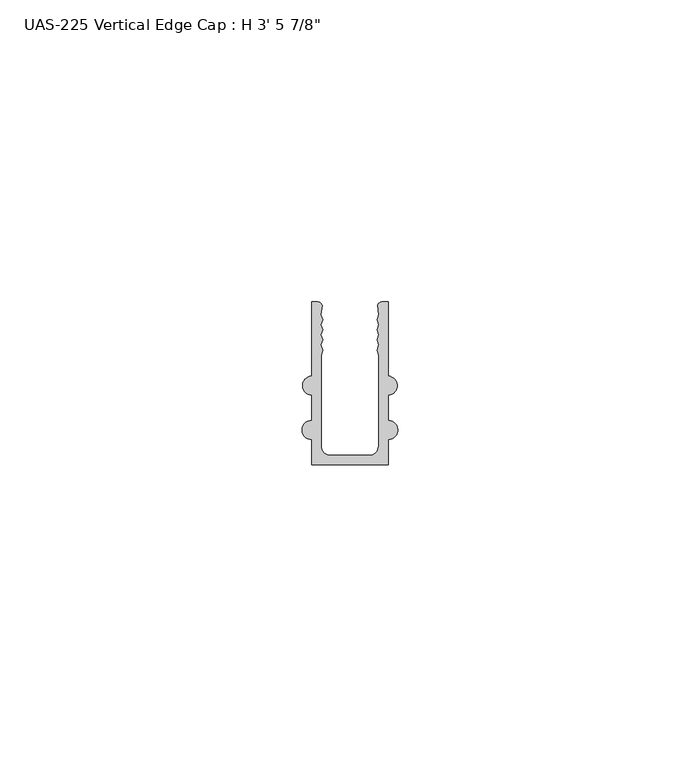
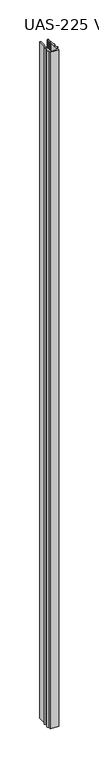
"""IFC4 building model written with IfcOpenShell, lengths in millimetres: proxy geometry."""

from ifc_helpers import new_model, si_unit, point, frame_2d, origin, origin_with_axes, place, context, project, spatial, polyline, circle_curve, trimmed, segment, composite_curve, outline, extrude, source, transform, mapped, element, save


def proxy_a254d4f8(model_context):
    return source(origin(), model_context, "Body", "SweptSolid", [
        extrude(outline(composite_curve([segment(polyline([(14.2875, 17.4398781), (14.2875, 5.1612043)]), True, "CONTINUOUS"), segment(trimmed(circle_curve(frame_2d((14.1965146, 3.5864043)), 1.5774262), [point((14.2875, 5.1612043))], [point((14.2875, 2.0116043))], False, "CARTESIAN"), True, "CONTINUOUS"), segment(polyline([(14.2875, 2.0116043), (14.2875, -2.1793957)]), True, "CONTINUOUS"), segment(trimmed(circle_curve(frame_2d((14.2875, -3.7668957)), 1.5875), [point((14.2875, -2.1793957))], [point((14.2875, -5.3543957))], False, "CARTESIAN"), True, "CONTINUOUS"), segment(polyline([(14.2875, -5.3543957), (14.2875, -9.5453957), (1.5875, -9.5453957), (1.5875, -5.3543957)]), True, "CONTINUOUS"), segment(trimmed(circle_curve(frame_2d((1.5875, -3.7668957)), 1.5875), [point((1.5875, -5.3543957))], [point((1.5875, -2.1793957))], False, "CARTESIAN"), True, "CONTINUOUS"), segment(polyline([(1.5875, -2.1793957), (1.5875, 2.0116043)]), True, "CONTINUOUS"), segment(trimmed(circle_curve(frame_2d((1.6784854, 3.5864043)), 1.5774262), [point((1.5875, 2.0116043))], [point((1.5875, 5.1612043))], False, "CARTESIAN"), True, "CONTINUOUS"), segment(polyline([(1.5875, 5.1612043), (1.5875, 17.4398781), (2.6288016, 17.4398781)]), True, "CONTINUOUS"), segment(trimmed(circle_curve(frame_2d((2.6288016, 16.7123859)), 0.7274922), [point((2.6288016, 17.4398781))], [point((3.3412585, 16.8595257))], False, "CARTESIAN"), True, "CONTINUOUS"), segment(polyline([(3.3412585, 16.8595257), (3.1475396, 15.3531342), (3.403871, 14.5147118), (3.1475396, 13.6762893), (3.403871, 12.8378669), (3.1475396, 11.9994444), (3.403871, 11.161022), (3.1475396, 10.3225996), (3.403871, 9.4841771), (3.175, 8.6103842), (3.175, -6.3703957)]), True, "CONTINUOUS"), segment(trimmed(circle_curve(frame_2d((4.7625, -6.3703957)), 1.5875), [point((3.175, -6.3703957))], [point((4.7625, -7.9578957))], True, "CARTESIAN"), True, "CONTINUOUS"), segment(polyline([(4.7625, -7.9578957), (11.1125, -7.9578957)]), True, "CONTINUOUS"), segment(trimmed(circle_curve(frame_2d((11.1125, -6.3703957)), 1.5875), [point((11.1125, -7.9578957))], [point((12.7, -6.3703957))], True, "CARTESIAN"), True, "CONTINUOUS"), segment(polyline([(12.7, -6.3703957), (12.7, 8.6103842), (12.471129, 9.4841771), (12.7274604, 10.3225996), (12.471129, 11.161022), (12.7274604, 11.9994444), (12.471129, 12.8378669), (12.7274604, 13.6762893), (12.471129, 14.5147118), (12.7274604, 15.3531342), (12.5337415, 16.8595257)]), True, "CONTINUOUS"), segment(trimmed(circle_curve(frame_2d((13.2461984, 16.7123859)), 0.7274922), [point((12.5337415, 16.8595257))], [point((13.2461984, 17.4398781))], False, "CARTESIAN"), True, "CONTINUOUS"), segment(polyline([(13.2461984, 17.4398781), (14.2875, 17.4398781)]), True, "CONTINUOUS")], self_intersect=False)), origin_with_axes(), (0.0, 0.0, 1.0), 1063.625),
    ])


if __name__ == "__main__":
    model = new_model("IFC4")
    model_context = context("Model", 3, world=origin())
    ifc_project = project(units=[si_unit("LENGTHUNIT", "METRE", prefix="MILLI")], contexts=[model_context])
    site = spatial("IfcSite", under=ifc_project)
    building = spatial("IfcBuilding", under=site)
    placement = place(None, origin())
    proxy_shape = proxy_a254d4f8(model_context)
    element("IfcBuildingElementProxy", 1, Name="UAS-225 Vertical Edge Cap : H 3' 5 7/8\"", ObjectType="UAS-225 Vertical Edge Cap : H 3' 5 7/8\"", at=placement, inside=building, context=model_context, shape_type="MappedRepresentation", body=[
        mapped(proxy_shape, transform((0.0, 0.0, 0.0), x_axis=(1.0, 0.0, 0.0), y_axis=(0.0, 1.0, 0.0), z_axis=(0.0, 0.0, 1.0))),
    ])
    save(model, "model.ifc")
